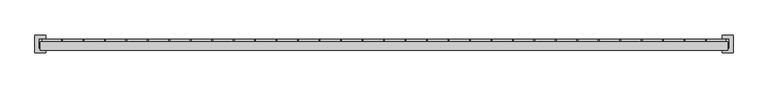
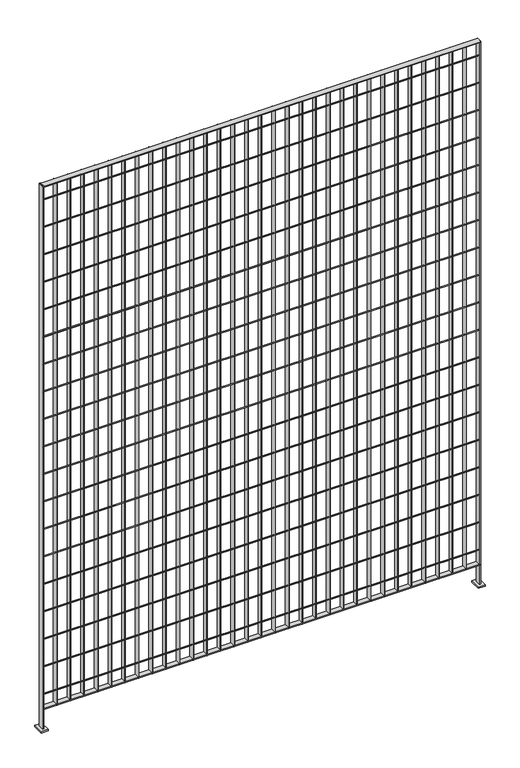
"""IFC4 building model written with IfcOpenShell, lengths in millimetres: railing geometry."""

import ifcopenshell
import ifcopenshell.guid

model = None  # the IFC model being written
_history = None  # IfcOwnerHistory: only IFC2X3 demands one
_inside = {}  # id of a spatial element -> (the spatial element, [elements in it])
_under = {}  # id of a project, library or spatial element -> (it, [spatial elements below it])
_declared = {}  # id of a project -> (the project, [libraries it declares])
_typed = {}  # id of a type object -> (the type object, [elements of that type])
_made_of = {}  # id of a material, layer set ... -> (it, [elements and type objects made of it])


def new_model(schema):
    """Start an empty IFC model of exactly this schema.

    Asked for "IFC4X3", IfcOpenShell would pick the latest addendum, in which some entities
    have other attributes; the version numbers below select the first issue.
    IFC2X3 requires an IfcOwnerHistory on every rooted entity: one is made here for all.
    """
    global model, _history
    if schema == "IFC4X3":
        model = ifcopenshell.file(schema_version=(4, 3, 0, 0))
    else:
        model = ifcopenshell.file(schema=schema)
    _inside.clear()
    _under.clear()
    _declared.clear()
    _typed.clear()
    _made_of.clear()
    _history = None
    if model.schema == "IFC2X3":
        org = make("IfcOrganization", Name="unknown")
        user = make(
            "IfcPersonAndOrganization",
            ThePerson=make("IfcPerson", FamilyName="unknown"),
            TheOrganization=org,
        )
        app = make(
            "IfcApplication",
            ApplicationDeveloper=org,
            Version="unknown",
            ApplicationFullName="unknown",
            ApplicationIdentifier="unknown",
        )
        _history = make(
            "IfcOwnerHistory",
            OwningUser=user,
            OwningApplication=app,
            ChangeAction="ADDED",
            CreationDate=0,
        )
    return model


def make(cls, **values):
    """One entity of the class cls with the attributes given. An attribute that is None is left unset."""
    return model.create_entity(
        cls, **{name: value for name, value in values.items() if value is not None}
    )


def rooted(cls, **values):
    """An entity with a GlobalId (a new one), such as an element, a storey or a relation."""
    return make(cls, GlobalId=ifcopenshell.guid.new(), OwnerHistory=_history, **values)


def si_unit(unit_type, name, prefix=None):
    """IfcSIUnit, for example si_unit("LENGTHUNIT", "METRE", prefix="MILLI")."""
    return make("IfcSIUnit", UnitType=unit_type, Prefix=prefix, Name=name)


def assignment(units):
    """IfcUnitAssignment: the units of a project."""
    return None if units is None else make("IfcUnitAssignment", Units=units)


def point(xyz):
    """IfcCartesianPoint."""
    return None if xyz is None else make("IfcCartesianPoint", Coordinates=xyz)


def direction(xyz):
    """IfcDirection."""
    return None if xyz is None else make("IfcDirection", DirectionRatios=xyz)


def frame(location, z_axis=None, x_axis=None):
    """IfcAxis2Placement3D, a coordinate frame: its origin and axes. An axis left out is left unset."""
    return make(
        "IfcAxis2Placement3D",
        Location=point(location),
        Axis=direction(z_axis),
        RefDirection=direction(x_axis),
    )


def frame_2d(location, x_axis=None):
    """IfcAxis2Placement2D, a coordinate frame in the plane: its origin and x axis."""
    return make(
        "IfcAxis2Placement2D", Location=point(location), RefDirection=direction(x_axis)
    )


def origin():
    """The frame at (0, 0, 0) with its axes left unset."""
    return frame((0.0, 0.0, 0.0))


def place(relative_to, where):
    """IfcLocalPlacement: puts the frame where relative to a parent placement (None: the world)."""
    return make(
        "IfcLocalPlacement", PlacementRelTo=relative_to, RelativePlacement=where
    )


def context(
    kind, dimensions, precision=None, world=None, true_north=None, identifier=None
):
    """IfcGeometricRepresentationContext, for example the 3D "Model" context."""
    return make(
        "IfcGeometricRepresentationContext",
        ContextIdentifier=identifier,
        ContextType=kind,
        CoordinateSpaceDimension=dimensions,
        Precision=precision,
        WorldCoordinateSystem=world,
        TrueNorth=true_north,
    )


def project(units=None, contexts=None):
    """IfcProject with its units and contexts."""
    return rooted(
        "IfcProject",
        Name="project",
        RepresentationContexts=contexts,
        UnitsInContext=assignment(units),
    )


def spatial(cls, under=None, at=None, **own):
    """A site, building, storey or space (cls), placed at a placement, below another one or the project."""
    s = rooted(cls, ObjectPlacement=at, **own)
    if under is not None:
        _under.setdefault(under.id(), (under, []))[1].append(s)
    return s


def polyline(points):
    """IfcPolyline through the points."""
    return make("IfcPolyline", Points=[point(p) for p in points])


def circle_curve(where, radius):
    """IfcCircle in the frame where."""
    return make("IfcCircle", Position=where, Radius=radius)


def trimmed(basis, trim1, trim2, sense, master):
    """IfcTrimmedCurve: the piece of a basis curve between two trims."""
    return make(
        "IfcTrimmedCurve",
        BasisCurve=basis,
        Trim1=trim1,
        Trim2=trim2,
        SenseAgreement=sense,
        MasterRepresentation=master,
    )


def segment(curve, same_sense, transition):
    """IfcCompositeCurveSegment."""
    return make(
        "IfcCompositeCurveSegment",
        Transition=transition,
        SameSense=same_sense,
        ParentCurve=curve,
    )


def composite_curve(segments, self_intersect=None):
    """IfcCompositeCurve: segments joined end to end."""
    return make("IfcCompositeCurve", Segments=segments, SelfIntersect=self_intersect)


def outline(outer, holes=None, kind="AREA"):
    """IfcArbitraryClosedProfileDef: a profile drawn as a closed curve; with holes, ...WithVoids."""
    if holes is None:
        return make("IfcArbitraryClosedProfileDef", ProfileType=kind, OuterCurve=outer)
    return make(
        "IfcArbitraryProfileDefWithVoids",
        ProfileType=kind,
        OuterCurve=outer,
        InnerCurves=holes,
    )


def extrude(swept, where, along, depth):
    """IfcExtrudedAreaSolid: the profile swept, set in the frame where, extruded along a direction by depth."""
    return make(
        "IfcExtrudedAreaSolid",
        SweptArea=swept,
        Position=where,
        ExtrudedDirection=direction(along),
        Depth=depth,
    )


def shape(context_of_items, identifier, shape_type, items):
    """IfcShapeRepresentation: the items that make up one representation, for example the "Body"."""
    return make(
        "IfcShapeRepresentation",
        ContextOfItems=context_of_items,
        RepresentationIdentifier=identifier,
        RepresentationType=shape_type,
        Items=items,
    )


def source(mapping_origin, context_of_items, identifier, shape_type, items):
    """IfcRepresentationMap: a shape defined once, which mapped items show again and again."""
    return make(
        "IfcRepresentationMap",
        MappingOrigin=mapping_origin,
        MappedRepresentation=shape(context_of_items, identifier, shape_type, items),
    )


def transform(
    local_origin,
    x_axis=None,
    y_axis=None,
    z_axis=None,
    scale=None,
    scale2=None,
    scale3=None,
    uniform=True,
):
    """IfcCartesianTransformationOperator3D, or its non-uniform kind. x_axis, y_axis, z_axis: its Axis1, 2, 3."""
    if uniform:
        return make(
            "IfcCartesianTransformationOperator3D",
            Axis1=direction(x_axis),
            Axis2=direction(y_axis),
            LocalOrigin=point(local_origin),
            Scale=scale,
            Axis3=direction(z_axis),
        )
    return make(
        "IfcCartesianTransformationOperator3DnonUniform",
        Axis1=direction(x_axis),
        Axis2=direction(y_axis),
        LocalOrigin=point(local_origin),
        Scale=scale,
        Axis3=direction(z_axis),
        Scale2=scale2,
        Scale3=scale3,
    )


def mapped(mapping_source, mapping_target):
    """IfcMappedItem: shows the shape of a source again, moved by a transform."""
    return make(
        "IfcMappedItem", MappingSource=mapping_source, MappingTarget=mapping_target
    )


def made_of(thing, what):
    """Note that an element or type object is made of a material, layer set ...; save() writes the relation."""
    if what is not None:
        _made_of.setdefault(what.id(), (what, []))[1].append(thing)
    return thing


def element(
    cls,
    number,
    at=None,
    inside=None,
    cuts=None,
    type_object=None,
    material=None,
    context=None,
    identifier="Body",
    shape_type=None,
    held_by="IfcProductDefinitionShape",
    body=None,
    shapes=None,
    **own,
):
    """One element of the class cls, such as IfcWall. Its Tag is "e" and its number.

    at: its placement. inside: the storey or other place that contains it. cuts: it is an
    opening in that element (IfcRelVoidsElement). A single representation is given by context,
    identifier, shape_type and body (its items); several are given by shapes. held_by: the class
    of the entity that holds the representations. save() writes the other relations.
    """
    e = rooted(cls, Tag="e%d" % number, ObjectPlacement=at, **own)
    if body is not None:
        shapes = [shape(context, identifier, shape_type, body)]
    if shapes is not None:
        e.Representation = make(held_by, Representations=shapes)
    if inside is not None:
        _inside.setdefault(inside.id(), (inside, []))[1].append(e)
    if cuts is not None:
        rooted(
            "IfcRelVoidsElement", RelatingBuildingElement=cuts, RelatedOpeningElement=e
        )
    if type_object is not None:
        _typed.setdefault(type_object.id(), (type_object, []))[1].append(e)
    return made_of(e, material)


def aggregate(whole, parts):
    """IfcRelAggregates: a whole, such as a stair, and the parts it consists of."""
    return rooted("IfcRelAggregates", RelatingObject=whole, RelatedObjects=parts)


def save(model, path):
    """Write the relations noted so far, then the file.

    IfcRelAggregates (storeys below a building ...), IfcRelContainedInSpatialStructure (elements
    in a storey), IfcRelDefinesByType, IfcRelAssociatesMaterial and IfcRelDeclares: one each for
    every whole, place, type object, material and project.
    """
    for whole, parts in _under.values():
        aggregate(whole, parts)
    for where, things in _inside.values():
        rooted(
            "IfcRelContainedInSpatialStructure",
            RelatedElements=things,
            RelatingStructure=where,
        )
    for kind, things in _typed.values():
        rooted("IfcRelDefinesByType", RelatedObjects=things, RelatingType=kind)
    for what, things in _made_of.values():
        rooted("IfcRelAssociatesMaterial", RelatedObjects=things, RelatingMaterial=what)
    for by, libraries in _declared.values():
        rooted("IfcRelDeclares", RelatingContext=by, RelatedDefinitions=libraries)
    model.write(path)


def railing_4b597463(model_context):
    return source(origin(), model_context, "Body", "SweptSolid", [
        extrude(outline(polyline([(-8841.9359548, 7726.0206619), (-8841.9359548, 7751.4206619), (-6860.7359548, 7751.4206619), (-6860.7359548, 7726.0206619), (-8841.9359548, 7726.0206619)])), frame((0.0, 0.0, 7718.510725), z_axis=(0.0, 0.0, 1.0), x_axis=(1.0, 0.0, 0.0)), (0.0, 0.0, 1.0), 3.7973),
        extrude(outline(composite_curve([segment(trimmed(circle_curve(frame_2d((7732.3706619, 7789.8625)), 2.0574), [point((7734.4280619, 7789.8625))], [point((7730.3132619, 7789.8625))], False, "CARTESIAN"), True, "CONTINUOUS"), segment(trimmed(circle_curve(frame_2d((7732.3706619, 7789.8625)), 2.0574), [point((7730.3132619, 7789.8625))], [point((7734.4280619, 7789.8625))], False, "CARTESIAN"), True, "CONTINUOUS")], self_intersect=False)), frame((-8841.9359548, 0.0, 0.0), z_axis=(1.0, 0.0, 0.0), x_axis=(0.0, 1.0, 0.0)), (0.0, 0.0, 1.0), 1981.2),
        extrude(outline(composite_curve([segment(trimmed(circle_curve(frame_2d((7732.3706619, 7921.625)), 2.0574), [point((7734.4280619, 7921.625))], [point((7730.3132619, 7921.625))], False, "CARTESIAN"), True, "CONTINUOUS"), segment(trimmed(circle_curve(frame_2d((7732.3706619, 7921.625)), 2.0574), [point((7730.3132619, 7921.625))], [point((7734.4280619, 7921.625))], False, "CARTESIAN"), True, "CONTINUOUS")], self_intersect=False)), frame((-8841.9359548, 0.0, 0.0), z_axis=(1.0, 0.0, 0.0), x_axis=(0.0, 1.0, 0.0)), (0.0, 0.0, 1.0), 1981.2),
        extrude(outline(composite_curve([segment(trimmed(circle_curve(frame_2d((7732.3706619, 8053.3875)), 2.0574), [point((7734.4280619, 8053.3875))], [point((7730.3132619, 8053.3875))], False, "CARTESIAN"), True, "CONTINUOUS"), segment(trimmed(circle_curve(frame_2d((7732.3706619, 8053.3875)), 2.0574), [point((7730.3132619, 8053.3875))], [point((7734.4280619, 8053.3875))], False, "CARTESIAN"), True, "CONTINUOUS")], self_intersect=False)), frame((-8841.9359548, 0.0, 0.0), z_axis=(1.0, 0.0, 0.0), x_axis=(0.0, 1.0, 0.0)), (0.0, 0.0, 1.0), 1981.2),
        extrude(outline(composite_curve([segment(trimmed(circle_curve(frame_2d((7732.3706619, 8185.15)), 2.0574), [point((7734.4280619, 8185.15))], [point((7730.3132619, 8185.15))], False, "CARTESIAN"), True, "CONTINUOUS"), segment(trimmed(circle_curve(frame_2d((7732.3706619, 8185.15)), 2.0574), [point((7730.3132619, 8185.15))], [point((7734.4280619, 8185.15))], False, "CARTESIAN"), True, "CONTINUOUS")], self_intersect=False)), frame((-8841.9359548, 0.0, 0.0), z_axis=(1.0, 0.0, 0.0), x_axis=(0.0, 1.0, 0.0)), (0.0, 0.0, 1.0), 1981.2),
        extrude(outline(composite_curve([segment(trimmed(circle_curve(frame_2d((7732.3706619, 8316.9125)), 2.0574), [point((7734.4280619, 8316.9125))], [point((7730.3132619, 8316.9125))], False, "CARTESIAN"), True, "CONTINUOUS"), segment(trimmed(circle_curve(frame_2d((7732.3706619, 8316.9125)), 2.0574), [point((7730.3132619, 8316.9125))], [point((7734.4280619, 8316.9125))], False, "CARTESIAN"), True, "CONTINUOUS")], self_intersect=False)), frame((-8841.9359548, 0.0, 0.0), z_axis=(1.0, 0.0, 0.0), x_axis=(0.0, 1.0, 0.0)), (0.0, 0.0, 1.0), 1981.2),
        extrude(outline(composite_curve([segment(trimmed(circle_curve(frame_2d((7732.3706619, 8448.675)), 2.0574), [point((7734.4280619, 8448.675))], [point((7730.3132619, 8448.675))], False, "CARTESIAN"), True, "CONTINUOUS"), segment(trimmed(circle_curve(frame_2d((7732.3706619, 8448.675)), 2.0574), [point((7730.3132619, 8448.675))], [point((7734.4280619, 8448.675))], False, "CARTESIAN"), True, "CONTINUOUS")], self_intersect=False)), frame((-8841.9359548, 0.0, 0.0), z_axis=(1.0, 0.0, 0.0), x_axis=(0.0, 1.0, 0.0)), (0.0, 0.0, 1.0), 1981.2),
        extrude(outline(composite_curve([segment(trimmed(circle_curve(frame_2d((7732.3706619, 8580.4375)), 2.0574), [point((7734.4280619, 8580.4375))], [point((7730.3132619, 8580.4375))], False, "CARTESIAN"), True, "CONTINUOUS"), segment(trimmed(circle_curve(frame_2d((7732.3706619, 8580.4375)), 2.0574), [point((7730.3132619, 8580.4375))], [point((7734.4280619, 8580.4375))], False, "CARTESIAN"), True, "CONTINUOUS")], self_intersect=False)), frame((-8841.9359548, 0.0, 0.0), z_axis=(1.0, 0.0, 0.0), x_axis=(0.0, 1.0, 0.0)), (0.0, 0.0, 1.0), 1981.2),
        extrude(outline(composite_curve([segment(trimmed(circle_curve(frame_2d((7732.3706619, 8712.2)), 2.0574), [point((7734.4280619, 8712.2))], [point((7730.3132619, 8712.2))], False, "CARTESIAN"), True, "CONTINUOUS"), segment(trimmed(circle_curve(frame_2d((7732.3706619, 8712.2)), 2.0574), [point((7730.3132619, 8712.2))], [point((7734.4280619, 8712.2))], False, "CARTESIAN"), True, "CONTINUOUS")], self_intersect=False)), frame((-8841.9359548, 0.0, 0.0), z_axis=(1.0, 0.0, 0.0), x_axis=(0.0, 1.0, 0.0)), (0.0, 0.0, 1.0), 1981.2),
        extrude(outline(composite_curve([segment(trimmed(circle_curve(frame_2d((7732.3706619, 8843.9625)), 2.0574), [point((7734.4280619, 8843.9625))], [point((7730.3132619, 8843.9625))], False, "CARTESIAN"), True, "CONTINUOUS"), segment(trimmed(circle_curve(frame_2d((7732.3706619, 8843.9625)), 2.0574), [point((7730.3132619, 8843.9625))], [point((7734.4280619, 8843.9625))], False, "CARTESIAN"), True, "CONTINUOUS")], self_intersect=False)), frame((-8841.9359548, 0.0, 0.0), z_axis=(1.0, 0.0, 0.0), x_axis=(0.0, 1.0, 0.0)), (0.0, 0.0, 1.0), 1981.2),
        extrude(outline(composite_curve([segment(trimmed(circle_curve(frame_2d((7732.3706619, 8975.725)), 2.0574), [point((7734.4280619, 8975.725))], [point((7730.3132619, 8975.725))], False, "CARTESIAN"), True, "CONTINUOUS"), segment(trimmed(circle_curve(frame_2d((7732.3706619, 8975.725)), 2.0574), [point((7730.3132619, 8975.725))], [point((7734.4280619, 8975.725))], False, "CARTESIAN"), True, "CONTINUOUS")], self_intersect=False)), frame((-8841.9359548, 0.0, 0.0), z_axis=(1.0, 0.0, 0.0), x_axis=(0.0, 1.0, 0.0)), (0.0, 0.0, 1.0), 1981.2),
        extrude(outline(composite_curve([segment(trimmed(circle_curve(frame_2d((7732.3706619, 9107.4875)), 2.0574), [point((7734.4280619, 9107.4875))], [point((7730.3132619, 9107.4875))], False, "CARTESIAN"), True, "CONTINUOUS"), segment(trimmed(circle_curve(frame_2d((7732.3706619, 9107.4875)), 2.0574), [point((7730.3132619, 9107.4875))], [point((7734.4280619, 9107.4875))], False, "CARTESIAN"), True, "CONTINUOUS")], self_intersect=False)), frame((-8841.9359548, 0.0, 0.0), z_axis=(1.0, 0.0, 0.0), x_axis=(0.0, 1.0, 0.0)), (0.0, 0.0, 1.0), 1981.2),
        extrude(outline(composite_curve([segment(trimmed(circle_curve(frame_2d((7732.3706619, 9239.25)), 2.0574), [point((7734.4280619, 9239.25))], [point((7730.3132619, 9239.25))], False, "CARTESIAN"), True, "CONTINUOUS"), segment(trimmed(circle_curve(frame_2d((7732.3706619, 9239.25)), 2.0574), [point((7730.3132619, 9239.25))], [point((7734.4280619, 9239.25))], False, "CARTESIAN"), True, "CONTINUOUS")], self_intersect=False)), frame((-8841.9359548, 0.0, 0.0), z_axis=(1.0, 0.0, 0.0), x_axis=(0.0, 1.0, 0.0)), (0.0, 0.0, 1.0), 1981.2),
        extrude(outline(composite_curve([segment(trimmed(circle_curve(frame_2d((7732.3706619, 9371.0125)), 2.0574), [point((7734.4280619, 9371.0125))], [point((7730.3132619, 9371.0125))], False, "CARTESIAN"), True, "CONTINUOUS"), segment(trimmed(circle_curve(frame_2d((7732.3706619, 9371.0125)), 2.0574), [point((7730.3132619, 9371.0125))], [point((7734.4280619, 9371.0125))], False, "CARTESIAN"), True, "CONTINUOUS")], self_intersect=False)), frame((-8841.9359548, 0.0, 0.0), z_axis=(1.0, 0.0, 0.0), x_axis=(0.0, 1.0, 0.0)), (0.0, 0.0, 1.0), 1981.2),
        extrude(outline(composite_curve([segment(trimmed(circle_curve(frame_2d((7732.3706619, 9502.775)), 2.0574), [point((7734.4280619, 9502.775))], [point((7730.3132619, 9502.775))], False, "CARTESIAN"), True, "CONTINUOUS"), segment(trimmed(circle_curve(frame_2d((7732.3706619, 9502.775)), 2.0574), [point((7730.3132619, 9502.775))], [point((7734.4280619, 9502.775))], False, "CARTESIAN"), True, "CONTINUOUS")], self_intersect=False)), frame((-8841.9359548, 0.0, 0.0), z_axis=(1.0, 0.0, 0.0), x_axis=(0.0, 1.0, 0.0)), (0.0, 0.0, 1.0), 1981.2),
        extrude(outline(composite_curve([segment(trimmed(circle_curve(frame_2d((7732.3706619, 9634.5375)), 2.0574), [point((7734.4280619, 9634.5375))], [point((7730.3132619, 9634.5375))], False, "CARTESIAN"), True, "CONTINUOUS"), segment(trimmed(circle_curve(frame_2d((7732.3706619, 9634.5375)), 2.0574), [point((7730.3132619, 9634.5375))], [point((7734.4280619, 9634.5375))], False, "CARTESIAN"), True, "CONTINUOUS")], self_intersect=False)), frame((-8841.9359548, 0.0, 0.0), z_axis=(1.0, 0.0, 0.0), x_axis=(0.0, 1.0, 0.0)), (0.0, 0.0, 1.0), 1981.2),
        extrude(outline(composite_curve([segment(trimmed(circle_curve(frame_2d((7732.3706619, 9766.3)), 2.0574), [point((7734.4280619, 9766.3))], [point((7730.3132619, 9766.3))], False, "CARTESIAN"), True, "CONTINUOUS"), segment(trimmed(circle_curve(frame_2d((7732.3706619, 9766.3)), 2.0574), [point((7730.3132619, 9766.3))], [point((7734.4280619, 9766.3))], False, "CARTESIAN"), True, "CONTINUOUS")], self_intersect=False)), frame((-8841.9359548, 0.0, 0.0), z_axis=(1.0, 0.0, 0.0), x_axis=(0.0, 1.0, 0.0)), (0.0, 0.0, 1.0), 1981.2),
        extrude(outline(composite_curve([segment(trimmed(circle_curve(frame_2d((7732.3706619, 9898.0625)), 2.0574), [point((7734.4280619, 9898.0625))], [point((7730.3132619, 9898.0625))], False, "CARTESIAN"), True, "CONTINUOUS"), segment(trimmed(circle_curve(frame_2d((7732.3706619, 9898.0625)), 2.0574), [point((7730.3132619, 9898.0625))], [point((7734.4280619, 9898.0625))], False, "CARTESIAN"), True, "CONTINUOUS")], self_intersect=False)), frame((-8841.9359548, 0.0, 0.0), z_axis=(1.0, 0.0, 0.0), x_axis=(0.0, 1.0, 0.0)), (0.0, 0.0, 1.0), 1981.2),
        extrude(outline(composite_curve([segment(trimmed(circle_curve(frame_2d((7732.3706619, 10029.825)), 2.0574), [point((7734.4280619, 10029.825))], [point((7730.3132619, 10029.825))], False, "CARTESIAN"), True, "CONTINUOUS"), segment(trimmed(circle_curve(frame_2d((7732.3706619, 10029.825)), 2.0574), [point((7730.3132619, 10029.825))], [point((7734.4280619, 10029.825))], False, "CARTESIAN"), True, "CONTINUOUS")], self_intersect=False)), frame((-8841.9359548, 0.0, 0.0), z_axis=(1.0, 0.0, 0.0), x_axis=(0.0, 1.0, 0.0)), (0.0, 0.0, 1.0), 1981.2),
        extrude(outline(composite_curve([segment(trimmed(circle_curve(frame_2d((7732.3706619, 10161.5875)), 2.0574), [point((7734.4280619, 10161.5875))], [point((7730.3132619, 10161.5875))], False, "CARTESIAN"), True, "CONTINUOUS"), segment(trimmed(circle_curve(frame_2d((7732.3706619, 10161.5875)), 2.0574), [point((7730.3132619, 10161.5875))], [point((7734.4280619, 10161.5875))], False, "CARTESIAN"), True, "CONTINUOUS")], self_intersect=False)), frame((-8841.9359548, 0.0, 0.0), z_axis=(1.0, 0.0, 0.0), x_axis=(0.0, 1.0, 0.0)), (0.0, 0.0, 1.0), 1981.2),
        extrude(outline(polyline([(-8841.9359548, 7719.6706619), (-8841.9359548, 7745.0706619), (-6860.7359548, 7745.0706619), (-6860.7359548, 7719.6706619), (-8841.9359548, 7719.6706619)])), frame((0.0, 0.0, 10229.53885), z_axis=(0.0, 0.0, 1.0), x_axis=(1.0, 0.0, 0.0)), (0.0, 0.0, 1.0), 3.7973),
        extrude(outline(polyline([(-6921.6997648, 7726.0206619), (-6923.5971448, 7726.0206619), (-6923.5971448, 7751.4206619), (-6921.6997648, 7751.4206619), (-6921.6997648, 7726.0206619)])), frame((0.0, 0.0, 7718.425), z_axis=(0.0, 0.0, 1.0), x_axis=(1.0, 0.0, 0.0)), (0.0, 0.0, 1.0), 2511.11385),
        extrude(outline(polyline([(-6983.6122648, 7726.0206619), (-6985.5096448, 7726.0206619), (-6985.5096448, 7751.4206619), (-6983.6122648, 7751.4206619), (-6983.6122648, 7726.0206619)])), frame((0.0, 0.0, 7718.425), z_axis=(0.0, 0.0, 1.0), x_axis=(1.0, 0.0, 0.0)), (0.0, 0.0, 1.0), 2511.11385),
        extrude(outline(polyline([(-7045.5247648, 7726.0206619), (-7047.4221448, 7726.0206619), (-7047.4221448, 7751.4206619), (-7045.5247648, 7751.4206619), (-7045.5247648, 7726.0206619)])), frame((0.0, 0.0, 7718.425), z_axis=(0.0, 0.0, 1.0), x_axis=(1.0, 0.0, 0.0)), (0.0, 0.0, 1.0), 2511.11385),
        extrude(outline(polyline([(-7107.4372648, 7726.0206619), (-7109.3346448, 7726.0206619), (-7109.3346448, 7751.4206619), (-7107.4372648, 7751.4206619), (-7107.4372648, 7726.0206619)])), frame((0.0, 0.0, 7718.425), z_axis=(0.0, 0.0, 1.0), x_axis=(1.0, 0.0, 0.0)), (0.0, 0.0, 1.0), 2511.11385),
        extrude(outline(polyline([(-7169.3497648, 7726.0206619), (-7171.2471448, 7726.0206619), (-7171.2471448, 7751.4206619), (-7169.3497648, 7751.4206619), (-7169.3497648, 7726.0206619)])), frame((0.0, 0.0, 7718.425), z_axis=(0.0, 0.0, 1.0), x_axis=(1.0, 0.0, 0.0)), (0.0, 0.0, 1.0), 2511.11385),
        extrude(outline(polyline([(-7231.2622648, 7726.0206619), (-7233.1596448, 7726.0206619), (-7233.1596448, 7751.4206619), (-7231.2622648, 7751.4206619), (-7231.2622648, 7726.0206619)])), frame((0.0, 0.0, 7718.425), z_axis=(0.0, 0.0, 1.0), x_axis=(1.0, 0.0, 0.0)), (0.0, 0.0, 1.0), 2511.11385),
        extrude(outline(polyline([(-7293.1747648, 7726.0206619), (-7295.0721448, 7726.0206619), (-7295.0721448, 7751.4206619), (-7293.1747648, 7751.4206619), (-7293.1747648, 7726.0206619)])), frame((0.0, 0.0, 7718.425), z_axis=(0.0, 0.0, 1.0), x_axis=(1.0, 0.0, 0.0)), (0.0, 0.0, 1.0), 2511.11385),
        extrude(outline(polyline([(-7355.0872648, 7726.0206619), (-7356.9846448, 7726.0206619), (-7356.9846448, 7751.4206619), (-7355.0872648, 7751.4206619), (-7355.0872648, 7726.0206619)])), frame((0.0, 0.0, 7718.425), z_axis=(0.0, 0.0, 1.0), x_axis=(1.0, 0.0, 0.0)), (0.0, 0.0, 1.0), 2511.11385),
        extrude(outline(polyline([(-7416.9997648, 7726.0206619), (-7418.8971448, 7726.0206619), (-7418.8971448, 7751.4206619), (-7416.9997648, 7751.4206619), (-7416.9997648, 7726.0206619)])), frame((0.0, 0.0, 7718.425), z_axis=(0.0, 0.0, 1.0), x_axis=(1.0, 0.0, 0.0)), (0.0, 0.0, 1.0), 2511.11385),
        extrude(outline(polyline([(-7478.9122648, 7726.0206619), (-7480.8096448, 7726.0206619), (-7480.8096448, 7751.4206619), (-7478.9122648, 7751.4206619), (-7478.9122648, 7726.0206619)])), frame((0.0, 0.0, 7718.425), z_axis=(0.0, 0.0, 1.0), x_axis=(1.0, 0.0, 0.0)), (0.0, 0.0, 1.0), 2511.11385),
        extrude(outline(polyline([(-7540.8247648, 7726.0206619), (-7542.7221448, 7726.0206619), (-7542.7221448, 7751.4206619), (-7540.8247648, 7751.4206619), (-7540.8247648, 7726.0206619)])), frame((0.0, 0.0, 7718.425), z_axis=(0.0, 0.0, 1.0), x_axis=(1.0, 0.0, 0.0)), (0.0, 0.0, 1.0), 2511.11385),
        extrude(outline(polyline([(-7602.7372648, 7726.0206619), (-7604.6346448, 7726.0206619), (-7604.6346448, 7751.4206619), (-7602.7372648, 7751.4206619), (-7602.7372648, 7726.0206619)])), frame((0.0, 0.0, 7718.425), z_axis=(0.0, 0.0, 1.0), x_axis=(1.0, 0.0, 0.0)), (0.0, 0.0, 1.0), 2511.11385),
        extrude(outline(polyline([(-7664.6497648, 7726.0206619), (-7666.5471448, 7726.0206619), (-7666.5471448, 7751.4206619), (-7664.6497648, 7751.4206619), (-7664.6497648, 7726.0206619)])), frame((0.0, 0.0, 7718.425), z_axis=(0.0, 0.0, 1.0), x_axis=(1.0, 0.0, 0.0)), (0.0, 0.0, 1.0), 2511.11385),
        extrude(outline(polyline([(-7726.5622648, 7726.0206619), (-7728.4596448, 7726.0206619), (-7728.4596448, 7751.4206619), (-7726.5622648, 7751.4206619), (-7726.5622648, 7726.0206619)])), frame((0.0, 0.0, 7718.425), z_axis=(0.0, 0.0, 1.0), x_axis=(1.0, 0.0, 0.0)), (0.0, 0.0, 1.0), 2511.11385),
        extrude(outline(polyline([(-7788.4747648, 7726.0206619), (-7790.3721448, 7726.0206619), (-7790.3721448, 7751.4206619), (-7788.4747648, 7751.4206619), (-7788.4747648, 7726.0206619)])), frame((0.0, 0.0, 7718.425), z_axis=(0.0, 0.0, 1.0), x_axis=(1.0, 0.0, 0.0)), (0.0, 0.0, 1.0), 2511.11385),
        extrude(outline(polyline([(-7850.3872648, 7726.0206619), (-7852.2846448, 7726.0206619), (-7852.2846448, 7751.4206619), (-7850.3872648, 7751.4206619), (-7850.3872648, 7726.0206619)])), frame((0.0, 0.0, 7718.425), z_axis=(0.0, 0.0, 1.0), x_axis=(1.0, 0.0, 0.0)), (0.0, 0.0, 1.0), 2511.11385),
        extrude(outline(polyline([(-7912.2997648, 7726.0206619), (-7914.1971448, 7726.0206619), (-7914.1971448, 7751.4206619), (-7912.2997648, 7751.4206619), (-7912.2997648, 7726.0206619)])), frame((0.0, 0.0, 7718.425), z_axis=(0.0, 0.0, 1.0), x_axis=(1.0, 0.0, 0.0)), (0.0, 0.0, 1.0), 2511.11385),
        extrude(outline(polyline([(-7974.2122648, 7726.0206619), (-7976.1096448, 7726.0206619), (-7976.1096448, 7751.4206619), (-7974.2122648, 7751.4206619), (-7974.2122648, 7726.0206619)])), frame((0.0, 0.0, 7718.425), z_axis=(0.0, 0.0, 1.0), x_axis=(1.0, 0.0, 0.0)), (0.0, 0.0, 1.0), 2511.11385),
        extrude(outline(polyline([(-8036.1247648, 7726.0206619), (-8038.0221448, 7726.0206619), (-8038.0221448, 7751.4206619), (-8036.1247648, 7751.4206619), (-8036.1247648, 7726.0206619)])), frame((0.0, 0.0, 7718.425), z_axis=(0.0, 0.0, 1.0), x_axis=(1.0, 0.0, 0.0)), (0.0, 0.0, 1.0), 2511.11385),
        extrude(outline(polyline([(-8098.0372648, 7726.0206619), (-8099.9346448, 7726.0206619), (-8099.9346448, 7751.4206619), (-8098.0372648, 7751.4206619), (-8098.0372648, 7726.0206619)])), frame((0.0, 0.0, 7718.425), z_axis=(0.0, 0.0, 1.0), x_axis=(1.0, 0.0, 0.0)), (0.0, 0.0, 1.0), 2511.11385),
        extrude(outline(polyline([(-8159.9497648, 7726.0206619), (-8161.8471448, 7726.0206619), (-8161.8471448, 7751.4206619), (-8159.9497648, 7751.4206619), (-8159.9497648, 7726.0206619)])), frame((0.0, 0.0, 7718.425), z_axis=(0.0, 0.0, 1.0), x_axis=(1.0, 0.0, 0.0)), (0.0, 0.0, 1.0), 2511.11385),
        extrude(outline(polyline([(-8221.8622648, 7726.0206619), (-8223.7596448, 7726.0206619), (-8223.7596448, 7751.4206619), (-8221.8622648, 7751.4206619), (-8221.8622648, 7726.0206619)])), frame((0.0, 0.0, 7718.425), z_axis=(0.0, 0.0, 1.0), x_axis=(1.0, 0.0, 0.0)), (0.0, 0.0, 1.0), 2511.11385),
        extrude(outline(polyline([(-8283.7747648, 7726.0206619), (-8285.6721448, 7726.0206619), (-8285.6721448, 7751.4206619), (-8283.7747648, 7751.4206619), (-8283.7747648, 7726.0206619)])), frame((0.0, 0.0, 7718.425), z_axis=(0.0, 0.0, 1.0), x_axis=(1.0, 0.0, 0.0)), (0.0, 0.0, 1.0), 2511.11385),
        extrude(outline(polyline([(-8345.6872648, 7726.0206619), (-8347.5846448, 7726.0206619), (-8347.5846448, 7751.4206619), (-8345.6872648, 7751.4206619), (-8345.6872648, 7726.0206619)])), frame((0.0, 0.0, 7718.425), z_axis=(0.0, 0.0, 1.0), x_axis=(1.0, 0.0, 0.0)), (0.0, 0.0, 1.0), 2511.11385),
        extrude(outline(polyline([(-8407.5997648, 7726.0206619), (-8409.4971448, 7726.0206619), (-8409.4971448, 7751.4206619), (-8407.5997648, 7751.4206619), (-8407.5997648, 7726.0206619)])), frame((0.0, 0.0, 7718.425), z_axis=(0.0, 0.0, 1.0), x_axis=(1.0, 0.0, 0.0)), (0.0, 0.0, 1.0), 2511.11385),
        extrude(outline(polyline([(-8469.5122648, 7726.0206619), (-8471.4096448, 7726.0206619), (-8471.4096448, 7751.4206619), (-8469.5122648, 7751.4206619), (-8469.5122648, 7726.0206619)])), frame((0.0, 0.0, 7718.425), z_axis=(0.0, 0.0, 1.0), x_axis=(1.0, 0.0, 0.0)), (0.0, 0.0, 1.0), 2511.11385),
        extrude(outline(polyline([(-8531.4247648, 7726.0206619), (-8533.3221448, 7726.0206619), (-8533.3221448, 7751.4206619), (-8531.4247648, 7751.4206619), (-8531.4247648, 7726.0206619)])), frame((0.0, 0.0, 7718.425), z_axis=(0.0, 0.0, 1.0), x_axis=(1.0, 0.0, 0.0)), (0.0, 0.0, 1.0), 2511.11385),
        extrude(outline(polyline([(-8593.3372648, 7726.0206619), (-8595.2346448, 7726.0206619), (-8595.2346448, 7751.4206619), (-8593.3372648, 7751.4206619), (-8593.3372648, 7726.0206619)])), frame((0.0, 0.0, 7718.425), z_axis=(0.0, 0.0, 1.0), x_axis=(1.0, 0.0, 0.0)), (0.0, 0.0, 1.0), 2511.11385),
        extrude(outline(polyline([(-8655.2497648, 7726.0206619), (-8657.1471448, 7726.0206619), (-8657.1471448, 7751.4206619), (-8655.2497648, 7751.4206619), (-8655.2497648, 7726.0206619)])), frame((0.0, 0.0, 7718.425), z_axis=(0.0, 0.0, 1.0), x_axis=(1.0, 0.0, 0.0)), (0.0, 0.0, 1.0), 2511.11385),
        extrude(outline(polyline([(-8717.1622648, 7726.0206619), (-8719.0596448, 7726.0206619), (-8719.0596448, 7751.4206619), (-8717.1622648, 7751.4206619), (-8717.1622648, 7726.0206619)])), frame((0.0, 0.0, 7718.425), z_axis=(0.0, 0.0, 1.0), x_axis=(1.0, 0.0, 0.0)), (0.0, 0.0, 1.0), 2511.11385),
        extrude(outline(polyline([(-8779.0747648, 7726.0206619), (-8780.9721448, 7726.0206619), (-8780.9721448, 7751.4206619), (-8779.0747648, 7751.4206619), (-8779.0747648, 7726.0206619)])), frame((0.0, 0.0, 7718.425), z_axis=(0.0, 0.0, 1.0), x_axis=(1.0, 0.0, 0.0)), (0.0, 0.0, 1.0), 2511.11385),
        extrude(outline(polyline([(-6863.9109548, 7751.4206619), (-6857.5609548, 7751.4206619), (-6857.5609548, 7726.0206619), (-6863.9109548, 7726.0206619), (-6863.9109548, 7751.4206619)])), frame((0.0, 0.0, 7620.0), z_axis=(0.0, 0.0, 1.0), x_axis=(1.0, 0.0, 0.0)), (0.0, 0.0, 1.0), 2609.53885),
        extrude(outline(polyline([(-6844.8609548, 7713.3206619), (-6876.6109548, 7713.3206619), (-6876.6109548, 7764.1206619), (-6844.8609548, 7764.1206619), (-6844.8609548, 7713.3206619)])), frame((0.0, 0.0, 7620.0), z_axis=(0.0, 0.0, 1.0), x_axis=(1.0, 0.0, 0.0)), (0.0, 0.0, 1.0), 6.35),
        extrude(outline(polyline([(-8845.1109548, 7751.4206619), (-8838.7609548, 7751.4206619), (-8838.7609548, 7726.0206619), (-8845.1109548, 7726.0206619), (-8845.1109548, 7751.4206619)])), frame((0.0, 0.0, 7620.0), z_axis=(0.0, 0.0, 1.0), x_axis=(1.0, 0.0, 0.0)), (0.0, 0.0, 1.0), 2609.53885),
        extrude(outline(polyline([(-8826.0609548, 7713.3206619), (-8857.8109548, 7713.3206619), (-8857.8109548, 7764.1206619), (-8826.0609548, 7764.1206619), (-8826.0609548, 7713.3206619)])), frame((0.0, 0.0, 7620.0), z_axis=(0.0, 0.0, 1.0), x_axis=(1.0, 0.0, 0.0)), (0.0, 0.0, 1.0), 6.35),
    ])


if __name__ == "__main__":
    model = new_model("IFC4")
    model_context = context("Model", 3, world=origin())
    ifc_project = project(units=[si_unit("LENGTHUNIT", "METRE", prefix="MILLI")], contexts=[model_context])
    site = spatial("IfcSite", under=ifc_project)
    building = spatial("IfcBuilding", under=site)
    placement = place(None, origin())
    railing_shape = railing_4b597463(model_context)
    element("IfcRailing", 1, at=placement, inside=building, context=model_context, shape_type="MappedRepresentation", body=[
        mapped(railing_shape, transform((0.0, 0.0, 0.0), x_axis=(1.0, 0.0, 0.0), y_axis=(0.0, 1.0, 0.0), z_axis=(0.0, 0.0, 1.0))),
    ])
    save(model, "model.ifc")
